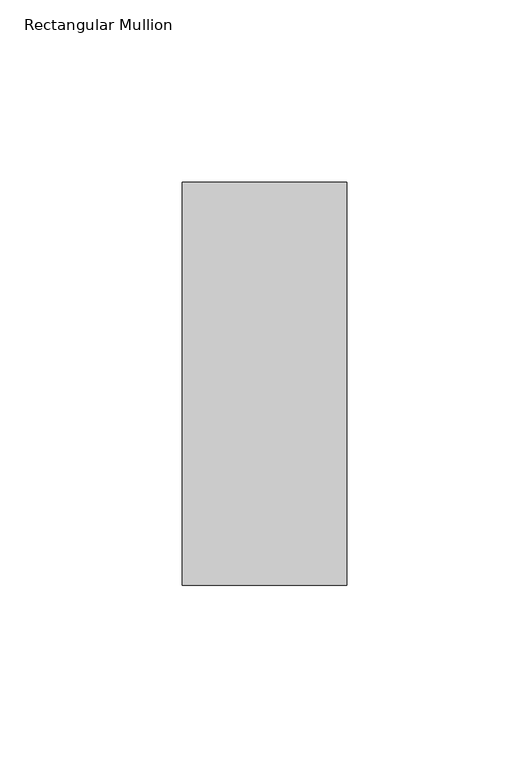
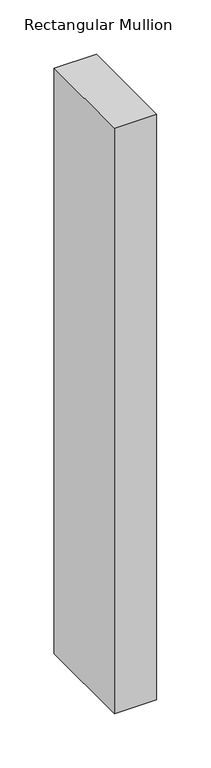
"""IFC4 building model written with IfcOpenShell, lengths in millimetres: member geometry, Rectangular Mullion."""

from ifc_helpers import new_model, si_unit, frame, origin, place, context, project, spatial, polyline, outline, extrude, source, transform, mapped, element, save


def rectangular_mullion_898ac4e4(model_context):
    return source(origin(), model_context, "Body", "SweptSolid", [
        extrude(outline(polyline([(-45.0, -70.7), (-45.0, 39.7), (0.0, 39.7), (0.0, -70.7), (-45.0, -70.7)])), frame((0.0, 0.0, -656.4), z_axis=(0.0, 0.0, 1.0), x_axis=(1.0, 0.0, 0.0)), (0.0, 0.0, 1.0), 656.4),
    ])


if __name__ == "__main__":
    model = new_model("IFC4")
    model_context = context("Model", 3, world=origin())
    ifc_project = project(units=[si_unit("LENGTHUNIT", "METRE", prefix="MILLI")], contexts=[model_context])
    site = spatial("IfcSite", under=ifc_project)
    building = spatial("IfcBuilding", under=site)
    placement = place(None, origin())
    rectangular_mullion_shape = rectangular_mullion_898ac4e4(model_context)
    element("IfcMember", 1, ObjectType="Rectangular Mullion", at=placement, inside=building, context=model_context, shape_type="MappedRepresentation", body=[
        mapped(rectangular_mullion_shape, transform((0.0, 0.0, 0.0), x_axis=(1.0, 0.0, 0.0), y_axis=(0.0, 1.0, 0.0), z_axis=(0.0, 0.0, 1.0))),
    ])
    save(model, "model.ifc")
